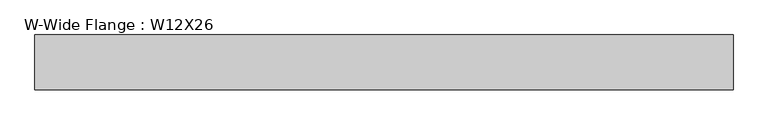
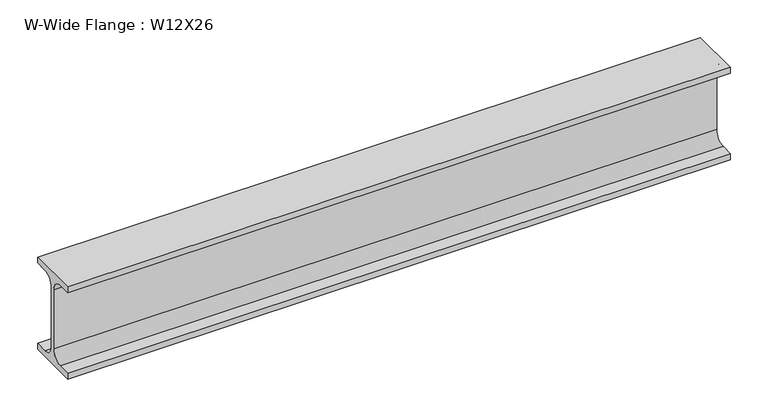
"""IFC4 building model written with IfcOpenShell, lengths in millimetres: beam geometry, W-Wide Flange : W12X26."""

from ifc_helpers import new_model, si_unit, point, frame, frame_2d, origin, place, context, project, spatial, polyline, circle_curve, trimmed, segment, composite_curve, outline, extrude, source, transform, mapped, element, save


def w_wide_flange_w12x26_004a935c(model_context):
    return source(origin(), model_context, "Body", "SweptSolid", [
        extrude(outline(composite_curve([segment(polyline([(40.0, -65.3757813), (40.0, -75.0), (-40.0, -75.0), (-40.0, -65.3757813), (-20.2902344, -65.3757813)]), True, "CONTINUOUS"), segment(trimmed(circle_curve(frame_2d((-20.2902344, -48.0125)), 17.3632812), [point((-20.2902344, -65.3757813))], [point((-2.9269531, -48.0125))], True, "CARTESIAN"), True, "CONTINUOUS"), segment(polyline([(-2.9269531, -48.0125), (-2.9269531, 48.0125)]), True, "CONTINUOUS"), segment(trimmed(circle_curve(frame_2d((-20.2902344, 48.0125)), 17.3632812), [point((-2.9269531, 48.0125))], [point((-20.2902344, 65.3757812))], True, "CARTESIAN"), True, "CONTINUOUS"), segment(polyline([(-20.2902344, 65.3757812), (-40.0, 65.3757812), (-40.0, 75.0), (40.0, 75.0), (40.0, 65.3757812), (20.2902344, 65.3757812)]), True, "CONTINUOUS"), segment(trimmed(circle_curve(frame_2d((20.2902344, 48.0125)), 17.3632812), [point((20.2902344, 65.3757812))], [point((2.9269531, 48.0125))], True, "CARTESIAN"), True, "CONTINUOUS"), segment(polyline([(2.9269531, 48.0125), (2.9269531, -48.0125)]), True, "CONTINUOUS"), segment(trimmed(circle_curve(frame_2d((20.2902344, -48.0125)), 17.3632812), [point((2.9269531, -48.0125))], [point((20.2902344, -65.3757813))], True, "CARTESIAN"), True, "CONTINUOUS"), segment(polyline([(20.2902344, -65.3757813), (40.0, -65.3757813)]), True, "CONTINUOUS")], self_intersect=False)), frame((-504.8876101, 0.0, 0.0), z_axis=(1.0, 0.0, 0.0), x_axis=(0.0, 1.0, 0.0)), (0.0, 0.0, 1.0), 1018.6408996),
    ])


if __name__ == "__main__":
    model = new_model("IFC4")
    model_context = context("Model", 3, world=origin())
    ifc_project = project(units=[si_unit("LENGTHUNIT", "METRE", prefix="MILLI")], contexts=[model_context])
    site = spatial("IfcSite", under=ifc_project)
    building = spatial("IfcBuilding", under=site)
    placement = place(None, origin())
    w_wide_flange_w12x26_shape = w_wide_flange_w12x26_004a935c(model_context)
    element("IfcBeam", 1, ObjectType="W-Wide Flange : W12X26", at=placement, inside=building, context=model_context, shape_type="MappedRepresentation", body=[
        mapped(w_wide_flange_w12x26_shape, transform((0.0, 0.0, 0.0), x_axis=(1.0, 0.0, 0.0), y_axis=(0.0, 1.0, 0.0), z_axis=(0.0, 0.0, 1.0))),
    ])
    save(model, "model.ifc")
